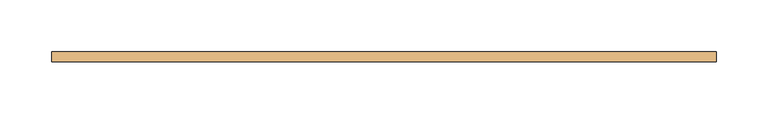
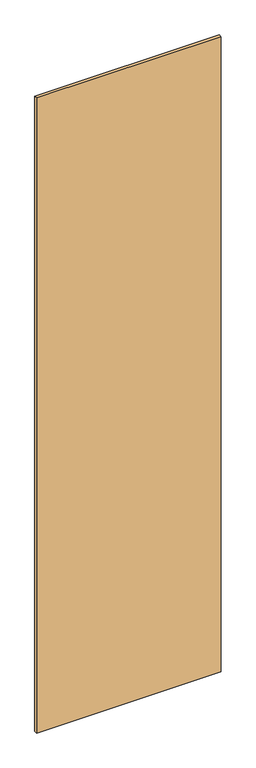
"""IFC4 building model written with IfcOpenShell, lengths in millimetres: door geometry."""

from ifc_helpers import new_model, si_unit, frame, origin, place, context, project, spatial, polyline, outline, extrude, source, transform, mapped, element, save


def door_c2cf3ff2(model_context):
    return source(origin(), model_context, "Body", "SweptSolid", [
        extrude(outline(polyline([(322.1875, 5.0), (322.1875, -5.0), (-322.1875, -5.0), (-322.1875, 5.0), (322.1875, 5.0)])), frame((0.0, 0.0, 78.0), z_axis=(0.0, 0.0, 1.0), x_axis=(1.0, 0.0, 0.0)), (0.0, 0.0, 1.0), 2344.0),
    ])


if __name__ == "__main__":
    model = new_model("IFC4")
    model_context = context("Model", 3, world=origin())
    ifc_project = project(units=[si_unit("LENGTHUNIT", "METRE", prefix="MILLI")], contexts=[model_context])
    site = spatial("IfcSite", under=ifc_project)
    building = spatial("IfcBuilding", under=site)
    placement = place(None, origin())
    door_shape = door_c2cf3ff2(model_context)
    element("IfcDoor", 1, at=placement, inside=building, context=model_context, shape_type="MappedRepresentation", body=[
        mapped(door_shape, transform((0.0, 0.0, 0.0), x_axis=(1.0, 0.0, 0.0), y_axis=(0.0, 1.0, 0.0), z_axis=(0.0, 0.0, 1.0))),
    ])
    save(model, "model.ifc")
